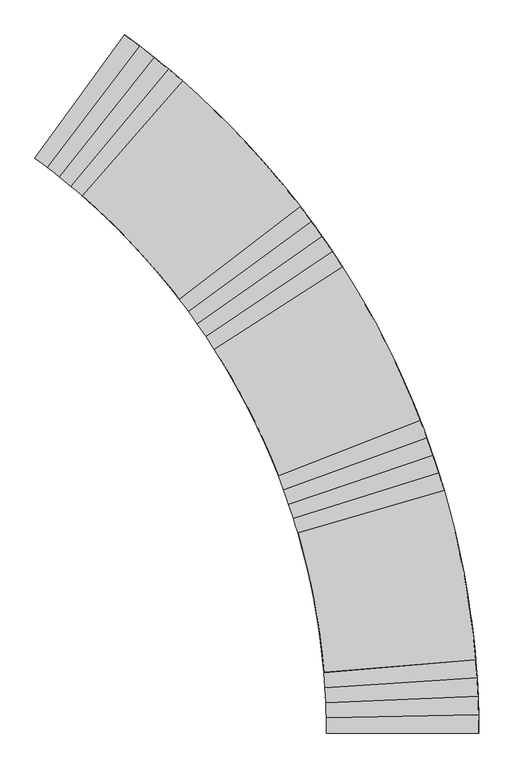
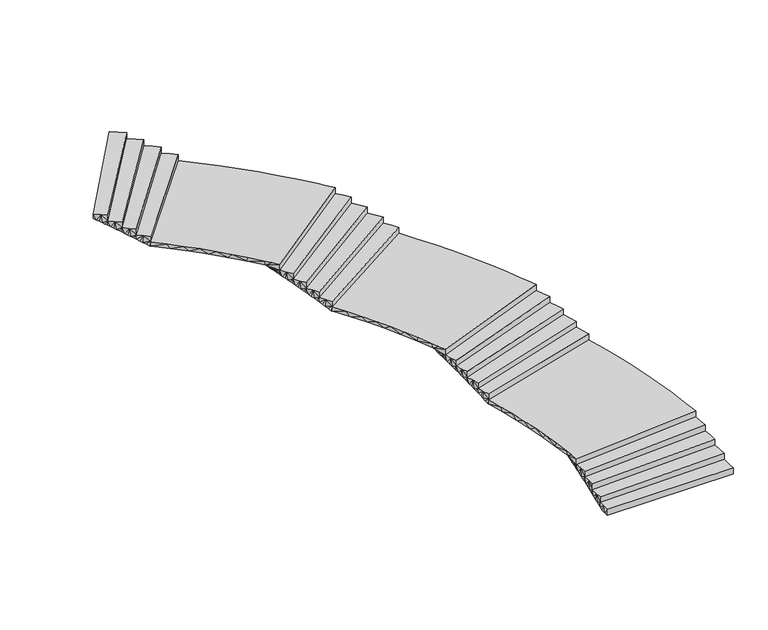
"""IFC4 building model written with IfcOpenShell, lengths in millimetres: stair geometry."""

from ifc_helpers import new_model, si_unit, origin, place, context, project, spatial, faceted_brep, source, transform, mapped, element, save


def stair_410cac66(model_context):
    return source(origin(), model_context, "Body", "Brep", [
        faceted_brep([(152586.2337141, 120016.2759252, 1451.4285714), (152732.5040266, 119699.3198931, 1451.4285714), (152870.8242222, 119378.8143003, 1451.4285714), (152937.3343783, 119216.4015484, 1451.4285714), (153001.8091132, 119053.1511719, 1451.4285714), (155798.916929, 120137.6731251, 1451.4285714), (155720.2451822, 120335.7468894, 1451.4285714), (155639.1529365, 120532.8248581, 1451.4285714), (155470.7091407, 120921.7522366, 1451.4285714), (155292.8172493, 121306.4499012, 1451.4285714), (155105.583378, 121686.6883732, 1451.4285714), (154909.1192148, 122062.2408341, 1451.4285714), (154703.541954, 122432.8832603, 1451.4285714), (154488.9742259, 122798.3945575, 1451.4285714), (154265.5440236, 123158.556692, 1451.4285714), (151738.9817963, 121541.0019599, 1451.4285714), (151923.5437381, 121244.6980518, 1451.4285714), (152100.6564492, 120943.8869808, 1451.4285714), (152270.2119214, 120638.752508, 1451.4285714), (152432.104473, 120329.4848803, 1451.4285714), (153001.8091132, 119053.1511719, 1307.1940608), (153001.8091132, 119053.1511719, 1252.11754), (153001.8091132, 119053.1511719, 1197.0410191), (153623.3886278, 119294.1560504, 1197.0410191), (154866.5476571, 119776.1658074, 1197.0410191), (155177.3374144, 119896.6682466, 1197.0410191), (155798.916929, 120137.6731251, 1197.0410191), (155798.916929, 120137.6731251, 1252.1175469), (155798.916929, 120137.6731251, 1307.1940747), (154265.5440236, 123158.556692, 1351.4285714), (151738.9817963, 121541.0019599, 1351.4285714), (155485.1230964, 120889.4670079, 1351.4285714), (155655.0378617, 120494.7566117, 1351.4285714), (155039.2199266, 120239.7978361, 1351.4285714), (154731.310959, 120112.3184483, 1351.4285714), (153499.6750887, 119602.4008971, 1351.4285714), (152883.8571536, 119347.4421216, 1351.4285714), (152720.2972699, 119726.5839241, 1351.4285714), (152545.6241173, 120100.7358074, 1351.4285714), (152359.9897317, 120469.5721083, 1351.4285714), (152163.5556899, 120832.7717906, 1351.4285714), (151956.4929688, 121190.0187241, 1351.4285714), (154492.0184332, 122793.3489893, 1351.4285714), (154709.3803702, 122422.6454518, 1351.4285714), (154917.4965441, 122046.6734016, 1351.4285714), (155116.2393345, 121665.6633917, 1351.4285714), (155305.4868686, 121279.8490644, 1351.4285714), (154335.9898637, 119758.6893268, 1274.2334563), (152955.428579, 119171.187598, 1258.796048), (152978.7525426, 119112.2219185, 1227.9185343), (155751.8377944, 120257.0547911, 1248.5029153), (155775.4877027, 120197.4075099, 1222.7718835), (152931.8377012, 119230.0470001, 1289.6735603), (152907.9803935, 119288.7989164, 1320.5510715), (155703.8772271, 120376.0847941, 1299.9654553), (155679.5672229, 120435.4658945, 1325.6969506), (155727.9675272, 120316.6141563, 1274.2341081)], [[[0, 1, 2, 3, 4, 5, 6, 7, 8, 9, 10, 11, 12, 13, 14, 15, 16, 17, 18, 19]], [[4, 20, 21, 22, 23, 24, 25, 26, 27, 28, 5]], [[15, 14, 29, 30]], [[31, 32, 33, 34, 35, 36, 37, 38, 39, 40, 41, 30, 29, 42, 43, 44, 45, 46]], [[24, 23, 47]], [[47, 23, 48]], [[23, 22, 49]], [[23, 49, 48]], [[24, 50, 25]], [[50, 24, 47]], [[25, 51, 26]], [[51, 25, 50]], [[47, 48, 52]], [[47, 35, 34]], [[35, 52, 53]], [[36, 35, 53]], [[54, 47, 34]], [[54, 33, 55]], [[54, 56, 47]], [[56, 50, 47]], [[34, 33, 54]], [[33, 32, 55]], [[35, 47, 52]], [[27, 26, 51]], [[27, 56, 28]], [[54, 55, 28]], [[50, 27, 51]], [[54, 28, 56]], [[55, 32, 28]], [[5, 32, 6]], [[5, 28, 32]], [[6, 32, 7]], [[7, 31, 8]], [[31, 7, 32]], [[8, 31, 46]], [[27, 50, 56]], [[9, 46, 45]], [[44, 10, 45]], [[12, 43, 42]], [[44, 43, 11]], [[13, 42, 29]], [[10, 9, 45]], [[11, 10, 44]], [[13, 12, 42]], [[14, 13, 29]], [[11, 43, 12]], [[46, 9, 8]], [[30, 16, 15]], [[49, 22, 21]], [[39, 19, 18]], [[40, 18, 17]], [[41, 17, 16]], [[41, 40, 17]], [[16, 30, 41]], [[39, 38, 19]], [[18, 40, 39]], [[37, 0, 38]], [[38, 0, 19]], [[2, 1, 37]], [[0, 37, 1]], [[3, 2, 36]], [[36, 2, 37]], [[4, 3, 36]], [[49, 21, 48]], [[20, 4, 36]], [[53, 20, 36]], [[48, 20, 52]], [[53, 52, 20]], [[48, 21, 20]]]),
        faceted_brep([(150384.7679038, 123324.1542365, 2177.1428571), (150614.186205, 123061.0506937, 2177.1428571), (150836.9722541, 122792.3077156, 2177.1428571), (150946.4289686, 122655.1191196, 2177.1428571), (151054.1676883, 122516.554967, 2177.1428571), (153433.9840354, 124343.1567721, 2177.1428571), (153302.8367415, 124511.1532406, 2177.1428571), (153169.6464307, 124677.5142553, 2177.1428571), (152898.7280263, 125003.4607168, 2177.1428571), (152619.9312179, 125322.694514, 2177.1428571), (152333.4222691, 125635.0252681, 2177.1428571), (152039.3720428, 125940.2667171, 2177.1428571), (151737.9558993, 126238.2368267, 2177.1428571), (151429.3535915, 126528.757899, 2177.1428571), (151113.749158, 126811.6566786, 2177.1428571), (149143.3213564, 124549.48642, 2177.1428571), (149403.6852515, 124316.9571564, 2177.1428571), (149658.166477, 124078.0102603, 2177.1428571), (149906.6097821, 123832.7917266, 2177.1428571), (150148.8603267, 123581.4544272, 2177.1428571), (151054.1676883, 122516.554967, 2032.9083465), (151054.1676883, 122516.554967, 1977.8318257), (151054.1676883, 122516.554967, 1922.7553049), (151583.0157655, 122922.4664792, 1922.7553049), (152640.7119197, 123734.2895037, 1922.7553049), (152905.1359583, 123937.2452598, 1922.7553049), (153433.9840354, 124343.1567721, 1922.7553049), (153433.9840354, 124343.1567721, 1977.831769), (153433.9840354, 124343.1567721, 2032.9083515), (151113.749158, 126811.6566786, 2077.1428571), (149143.3213564, 124549.48642, 2077.1428571), (152921.6310184, 124976.5247987, 2077.1428571), (153195.5858115, 124645.4415144, 2077.1428571), (152676.187485, 124227.7567595, 2077.1428571), (152416.4883217, 124018.914382, 2077.1428571), (151377.6916687, 123183.544872, 2077.1428571), (150858.2933422, 122765.8601171, 2077.1428571), (150594.8120056, 123083.7878653, 2077.1428571), (150322.0674965, 123393.8054463, 2077.1428571), (150040.2971693, 123695.6430691, 2077.1428571), (149749.7462331, 123989.038061, 2077.1428571), (149450.6675382, 124273.7350966, 2077.1428571), (151433.6925322, 126524.7706261, 2077.1428571), (151746.4350756, 126230.0513166, 2077.1428571), (152051.7850587, 125927.6794302, 2077.1428571), (152349.555284, 125617.8403386, 2077.1428571), (152639.5632012, 125300.7239911, 2077.1428571), (152136.4277781, 123568.474857, 1999.9477335), (150976.4960045, 122616.8089434, 1984.5103321), (151015.4453909, 122566.7699234, 1953.6328189), (153355.263556, 124444.5052341, 1974.2171981), (153394.7174461, 124393.9037892, 1948.4861674), (150937.3203286, 122666.6710001, 2015.3878445), (150897.9191672, 122716.35507, 2046.2653562), (153275.7960281, 124545.2686542, 2025.6797382), (153235.783474, 124595.4292577, 2051.4112346), (153315.6229031, 124494.9604181, 1999.9483905)], [[[0, 1, 2, 3, 4, 5, 6, 7, 8, 9, 10, 11, 12, 13, 14, 15, 16, 17, 18, 19]], [[4, 20, 21, 22, 23, 24, 25, 26, 27, 28, 5]], [[15, 14, 29, 30]], [[31, 32, 33, 34, 35, 36, 37, 38, 39, 40, 41, 30, 29, 42, 43, 44, 45, 46]], [[24, 23, 47]], [[47, 23, 48]], [[23, 22, 49]], [[23, 49, 48]], [[24, 50, 25]], [[50, 24, 47]], [[25, 51, 26]], [[51, 25, 50]], [[47, 48, 52]], [[47, 35, 34]], [[35, 52, 53]], [[36, 35, 53]], [[54, 47, 34]], [[54, 33, 55]], [[54, 56, 47]], [[56, 50, 47]], [[34, 33, 54]], [[33, 32, 55]], [[35, 47, 52]], [[27, 26, 51]], [[27, 56, 28]], [[54, 55, 28]], [[50, 27, 51]], [[54, 28, 56]], [[55, 32, 28]], [[5, 32, 6]], [[5, 28, 32]], [[6, 32, 7]], [[7, 31, 8]], [[31, 7, 32]], [[8, 31, 46]], [[27, 50, 56]], [[9, 46, 45]], [[44, 10, 45]], [[12, 43, 42]], [[44, 43, 11]], [[13, 42, 29]], [[10, 9, 45]], [[11, 10, 44]], [[13, 12, 42]], [[14, 13, 29]], [[11, 43, 12]], [[46, 9, 8]], [[30, 16, 15]], [[49, 22, 21]], [[39, 19, 18]], [[40, 18, 17]], [[41, 17, 16]], [[41, 40, 17]], [[16, 30, 41]], [[39, 38, 19]], [[18, 40, 39]], [[37, 0, 38]], [[38, 0, 19]], [[2, 1, 37]], [[0, 37, 1]], [[3, 2, 36]], [[36, 2, 37]], [[4, 3, 36]], [[49, 21, 48]], [[20, 4, 36]], [[53, 20, 36]], [[48, 20, 52]], [[53, 52, 20]], [[48, 21, 20]]]),
        faceted_brep([(153769.8217606, 116223.1727765, 725.7142857), (153821.1653713, 115877.8904025, 725.7142857), (153863.8818222, 115531.4346769, 725.7142857), (153882.0899664, 115356.8789034, 725.7142857), (153898.1093535, 115182.0910097, 725.7142857), (156887.2436606, 115437.1911745, 725.7142857), (156867.378924, 115649.3879585, 725.7142857), (156844.9117611, 115861.3090038, 725.7142857), (156792.5022219, 116281.8929794, 725.7142857), (156729.8381087, 116701.0717591, 725.7142857), (156656.9567928, 117118.5953564, 725.7142857), (156573.9017384, 117534.2147719, 725.7142857), (156480.7224773, 117947.6821417, 725.7142857), (156377.474579, 118358.7508855, 725.7142857), (156264.2196176, 118767.1758534, 725.7142857), (153384.9995627, 117924.5063599, 725.7142857), (153478.8946158, 117588.2879951, 725.7142857), (153564.3742271, 117249.8365179, 725.7142857), (153641.3863574, 116909.3586332, 725.7142857), (153709.8830224, 116567.0666172, 725.7142857), (153898.1093535, 115182.0910097, 581.4797751), (153898.1093535, 115182.0910097, 526.4032543), (153898.1093535, 115182.0910097, 471.3267334), (154562.3614218, 115238.7799352, 471.3267334), (155890.8655582, 115352.1577862, 471.3267334), (156222.9915924, 115380.5022489, 471.3267334), (156887.2436606, 115437.1911745, 471.3267334), (156887.2436606, 115437.1911745, 526.403257), (156887.2436606, 115437.1911745, 581.4797814), (156264.2196176, 118767.1758534, 625.7142857), (153384.9995627, 117924.5063599, 625.7142857), (156797.2664572, 116246.860191, 625.7142857), (156849.4633791, 115820.3131067, 625.7142857), (156186.8219545, 115748.6137567, 625.7142857), (155855.5012422, 115712.7640817, 625.7142857), (154530.2183929, 115569.3653817, 625.7142857), (153867.5769682, 115497.6660317, 625.7142857), (153817.1087874, 115907.4867819, 625.7142857), (153754.5730428, 116315.6403868, 625.7142857), (153680.0241663, 116721.7715843, 625.7142857), (153593.5270463, 117125.5268725, 625.7142857), (153495.1569709, 117526.5548177, 625.7142857), (156378.9787285, 118353.0535523, 625.7142857), (156483.4496876, 117936.2169506, 625.7142857), (156577.5684472, 117516.9215978, 625.7142857), (156661.2773059, 117095.4245507, 625.7142857), (156734.5249445, 116671.9842157, 625.7142857), (155376.7625802, 115484.4268988, 548.5191593), (153886.754336, 115308.4033783, 533.0817613), (153892.574916, 115245.2600553, 502.2042479), (156875.5946127, 115564.9907166, 522.788625), (156881.5372543, 115501.1017477, 497.0575949), (153880.6477332, 115371.5196826, 563.9592736), (153874.2552328, 115434.6076724, 594.8367851), (156863.0009534, 115692.70036, 574.2511651), (156856.3501088, 115756.5192951, 599.9826621), (156869.4158174, 115628.8572106, 548.5198172)], [[[0, 1, 2, 3, 4, 5, 6, 7, 8, 9, 10, 11, 12, 13, 14, 15, 16, 17, 18, 19]], [[4, 20, 21, 22, 23, 24, 25, 26, 27, 28, 5]], [[15, 14, 29, 30]], [[31, 32, 33, 34, 35, 36, 37, 38, 39, 40, 41, 30, 29, 42, 43, 44, 45, 46]], [[24, 23, 47]], [[47, 23, 48]], [[23, 22, 49]], [[23, 49, 48]], [[24, 50, 25]], [[50, 24, 47]], [[25, 51, 26]], [[51, 25, 50]], [[47, 48, 52]], [[47, 35, 34]], [[35, 52, 53]], [[36, 35, 53]], [[54, 47, 34]], [[54, 33, 55]], [[54, 56, 47]], [[56, 50, 47]], [[34, 33, 54]], [[33, 32, 55]], [[35, 47, 52]], [[27, 26, 51]], [[27, 56, 28]], [[54, 55, 28]], [[50, 27, 51]], [[54, 28, 56]], [[55, 32, 28]], [[5, 32, 6]], [[5, 28, 32]], [[6, 32, 7]], [[7, 31, 8]], [[31, 7, 32]], [[8, 31, 46]], [[27, 50, 56]], [[9, 46, 45]], [[44, 10, 45]], [[12, 43, 42]], [[44, 43, 11]], [[13, 42, 29]], [[10, 9, 45]], [[11, 10, 44]], [[13, 12, 42]], [[14, 13, 29]], [[11, 43, 12]], [[46, 9, 8]], [[30, 16, 15]], [[49, 22, 21]], [[39, 19, 18]], [[40, 18, 17]], [[41, 17, 16]], [[41, 40, 17]], [[16, 30, 41]], [[39, 38, 19]], [[18, 40, 39]], [[37, 0, 38]], [[38, 0, 19]], [[2, 1, 37]], [[0, 37, 1]], [[3, 2, 36]], [[36, 2, 37]], [[4, 3, 36]], [[49, 21, 48]], [[20, 4, 36]], [[53, 20, 36]], [[48, 20, 52]], [[53, 52, 20]], [[48, 21, 20]]]),
        faceted_brep([(154167.157717, 123310.4460798, 1596.5714286), (154067.160098, 123461.2795233, 1596.5714286), (151575.6067987, 121790.303115, 1596.5714286), (151657.9577791, 121666.0873381, 1596.5714286), (151738.9817963, 121541.0019599, 1596.5714286), (154265.5440236, 123158.556692, 1596.5714286), (151575.6067987, 121790.303115, 1487.3267334), (151614.3242734, 121732.26027, 1453.352194), (151652.7520026, 121674.025192, 1419.3776546), (151738.9817963, 121541.0019599, 1474.0), (151733.860817, 121548.9947765, 1351.4285714), (151738.9817963, 121541.0019599, 1351.4285714), (151690.8890323, 121615.5993267, 1385.403115), (151728.7344194, 121556.9841191, 1351.4285714), (154265.5440236, 123158.556692, 1351.4285714), (154265.5440236, 123158.556692, 1474.0), (154253.1007802, 123177.9635996, 1351.4285714), (154216.365067, 123234.9224093, 1378.6081997), (154259.3256916, 123168.2622551, 1351.4285714), (154179.4025486, 123291.7343149, 1405.7878331), (154142.2138196, 123348.3984026, 1432.9674665), (154104.7994712, 123404.9137715, 1460.1471), (154067.160098, 123461.2795233, 1487.3267334), (153965.5624987, 123611.0399295, 1741.7142857), (153862.3764324, 123759.7103273, 1741.7142857), (151406.961427, 122036.0696595, 1741.7142857), (151491.9381875, 121913.6352143, 1741.7142857), (151575.6067987, 121790.303115, 1741.7142857), (154067.160098, 123461.2795233, 1741.7142857), (151441.1084884, 121987.2045013, 1603.4410258), (151406.961427, 122036.0696595, 1632.4695906), (151475.0471756, 121938.1943695, 1574.4124527), (151508.7768634, 121889.0401666, 1545.3838796), (151542.2969404, 121839.7427838, 1516.3553065), (154033.4714419, 123511.3197263, 1511.51721), (153965.5624973, 123611.0399316, 1559.898163), (153999.6054328, 123561.240072, 1535.7076865), (153931.3430639, 123660.7186781, 1584.0886396), (153896.9475636, 123710.2756861, 1608.2791161), (153862.3764324, 123759.7103273, 1632.4695906), (153757.6135923, 123907.2738688, 1886.8571429), (153651.2858506, 124053.7138319, 1886.8571429), (151233.1221244, 122278.1901928, 1886.8571429), (151320.686147, 122157.5925761, 1886.8571429), (151406.961427, 122036.0696595, 1886.8571429), (153862.3764324, 123759.7103273, 1886.8571429), (151268.3017427, 122230.0630701, 1748.5838829), (151233.1221244, 122278.1901928, 1777.6124477), (151303.2761205, 122181.7865705, 1719.5553098), (151338.0446134, 122133.3615831, 1690.5267367), (151372.6065912, 122084.7889859, 1661.4981637), (153827.6300997, 123809.0219876, 1656.6600671), (153757.6135909, 123907.2738709, 1705.0410202), (153792.7090059, 123858.2100419, 1680.8505436), (153722.3442963, 123956.2128568, 1729.2314967), (153686.9015665, 124005.0263834, 1753.4219732), (153651.2858506, 124053.7138319, 1777.6124477), (153543.4052565, 124199.0136216, 2032.0), (153433.9840354, 124343.1567721, 2032.0), (151054.1676883, 122516.554967, 2032.0), (151144.2792822, 122397.8488431, 2032.0), (151233.1221244, 122278.1901928, 2032.0), (153651.2858506, 124053.7138319, 2032.0), (151090.3639175, 122469.1876948, 1893.72674), (151054.1676883, 122516.554967, 1922.7553049), (151126.3581327, 122421.6667102, 1864.698167), (151162.149671, 122373.9928882, 1835.6695939), (151197.7378833, 122326.1670934, 1806.6410208), (153615.4975911, 124102.2745976, 1801.8029242), (153543.405255, 124199.0136237, 1850.1838773), (153579.5372416, 124150.7080648, 1825.9934008), (153507.1020861, 124247.190666, 1874.3743538), (153470.6281921, 124295.2385851, 1898.5648304), (153433.9840354, 124343.1567721, 1922.7553049), (152905.1359583, 123937.2452598, 1922.7553049), (152640.7119197, 123734.2895037, 1922.7553049), (152376.2878811, 123531.3337476, 1922.7553049), (152111.8638426, 123328.3779915, 1922.7553049), (151847.439804, 123125.4222354, 1922.7553049), (151583.0157655, 122922.4664792, 1922.7553049), (152289.7047218, 121917.2017814, 1351.4285714), (152493.4625362, 123101.2152149, 1741.3267376), (152806.0456399, 122648.6174332, 1499.4219833), (152570.189873, 122097.3106126, 1351.4285714), (153411.6453266, 122637.6371061, 1351.4285714), (152650.4492906, 122875.3676089, 1620.3743587), (153692.1304778, 122817.7459372, 1351.4285714)], [[[0, 1, 2, 3, 4, 5]], [[6, 3, 2]], [[3, 6, 7]], [[3, 7, 8]], [[3, 9, 4]], [[10, 11, 9]], [[9, 3, 8]], [[12, 13, 9]], [[13, 10, 9]], [[12, 9, 8]], [[5, 4, 9, 11, 14, 15]], [[16, 17, 15]], [[14, 18, 15]], [[18, 16, 15]], [[19, 0, 15]], [[19, 15, 17]], [[20, 21, 0]], [[19, 20, 0]], [[21, 1, 0]], [[1, 21, 22]], [[0, 5, 15]], [[23, 24, 25, 26, 27, 28]], [[29, 26, 25]], [[25, 30, 29]], [[26, 29, 31]], [[31, 32, 26]], [[26, 32, 2]], [[2, 32, 33]], [[2, 33, 6]], [[27, 26, 2]], [[28, 27, 2, 1]], [[22, 34, 1]], [[23, 28, 1, 35]], [[36, 1, 34]], [[35, 1, 36]], [[37, 38, 23]], [[35, 37, 23]], [[38, 24, 23]], [[24, 38, 39]], [[40, 41, 42, 43, 44, 45]], [[46, 43, 42]], [[42, 47, 46]], [[43, 46, 48]], [[48, 49, 43]], [[43, 49, 25]], [[25, 49, 50]], [[25, 50, 30]], [[44, 43, 25]], [[45, 44, 25, 24]], [[39, 51, 24]], [[40, 45, 24, 52]], [[53, 24, 51]], [[52, 24, 53]], [[54, 55, 40]], [[52, 54, 40]], [[55, 41, 40]], [[41, 55, 56]], [[57, 58, 59, 60, 61, 62]], [[63, 60, 59]], [[59, 64, 63]], [[60, 63, 65]], [[65, 66, 60]], [[60, 66, 42]], [[42, 66, 67]], [[42, 67, 47]], [[61, 60, 42]], [[62, 61, 42, 41]], [[56, 68, 41]], [[57, 62, 41, 69]], [[70, 41, 68]], [[69, 41, 70]], [[71, 72, 57]], [[69, 71, 57]], [[72, 58, 57]], [[58, 72, 73]], [[58, 73, 74, 75, 76, 77, 78, 79, 64, 59]], [[13, 12, 80]], [[47, 81, 46]], [[82, 83, 8]], [[83, 80, 8]], [[83, 82, 84]], [[12, 8, 80]], [[31, 82, 32]], [[85, 31, 29]], [[82, 31, 85]], [[82, 34, 22]], [[7, 6, 82]], [[8, 7, 82]], [[29, 30, 85]], [[17, 16, 86]], [[19, 86, 84]], [[38, 37, 85]], [[6, 33, 82]], [[20, 19, 84]], [[17, 86, 19]], [[82, 33, 32]], [[20, 84, 82]], [[82, 22, 21]], [[82, 21, 20]], [[85, 30, 50]], [[36, 34, 82]], [[36, 82, 35]], [[35, 82, 85]], [[35, 85, 37]], [[85, 39, 38]], [[51, 39, 85]], [[47, 67, 81]], [[67, 66, 81]], [[48, 81, 49]], [[81, 85, 49]], [[46, 81, 48]], [[66, 77, 81]], [[79, 65, 63]], [[64, 79, 63]], [[54, 52, 81]], [[77, 66, 78]], [[78, 65, 79]], [[81, 77, 76]], [[66, 65, 78]], [[76, 70, 81]], [[53, 85, 81]], [[52, 53, 81]], [[54, 81, 55]], [[81, 56, 55]], [[68, 56, 81]], [[51, 85, 53]], [[70, 76, 69]], [[68, 81, 70]], [[71, 75, 74]], [[72, 74, 73]], [[69, 75, 71]], [[71, 74, 72]], [[75, 69, 76]], [[50, 49, 85]], [[11, 10, 13, 80, 83, 84, 86, 16, 18, 14]]]),
        faceted_brep([(150976.6565434, 126929.7916289, 2322.2857143), (150838.3141311, 127046.4605125, 2322.2857143), (148916.4925107, 124742.8542832, 2322.2857143), (149030.4215562, 124646.7740261, 2322.2857143), (149143.3213564, 124549.48642, 2322.2857143), (151113.749158, 126811.6566786, 2322.2857143), (148916.4925107, 124742.8542832, 2213.0410191), (148969.9560624, 124698.0250145, 2179.0664797), (149023.1955374, 124652.9298595, 2145.0919403), (149143.3213564, 124549.48642, 2199.7142857), (149136.1612803, 124555.7188238, 2077.1428571), (149143.3213564, 124549.48642, 2077.1428571), (149076.2096135, 124607.5699379, 2111.1174007), (149128.99698, 124561.9463713, 2077.1428571), (151113.749158, 126811.6566786, 2077.1428571), (151113.749158, 126811.6566786, 2199.7142554), (151096.3552723, 126826.7866194, 2077.1428571), (151045.0982037, 126871.1322116, 2104.3224854), (151105.0547798, 126819.2245974, 2077.1428571), (150993.6647305, 126915.2731021, 2131.5021188), (150942.0556799, 126959.2085808, 2158.6817523), (150890.2718724, 127002.9379493, 2185.8613857), (150838.3141311, 127046.4605125, 2213.0410191), (150698.7375983, 127161.6501082, 2467.4285714), (150557.9427623, 127275.3473625, 2467.4285714), (148685.5984424, 124931.3493361, 2467.4285714), (148801.5471308, 124837.7163033, 2467.4285714), (148916.4925107, 124742.8542832, 2467.4285714), (150838.3141311, 127046.4605125, 2467.4285714), (148732.0974658, 124894.0442922, 2329.1553115), (148685.5984424, 124931.3493361, 2358.1838763), (148778.437231, 124856.5415768, 2300.1267384), (148824.6168847, 124818.8418805, 2271.0981653), (148870.6355894, 124780.945887, 2242.0695922), (150791.9249658, 127085.0220584, 2237.2314957), (150698.7375964, 127161.6501099, 2285.6124487), (150745.3992589, 127123.418752, 2261.4219722), (150651.9405656, 127199.7156506, 2309.8029253), (150605.008756, 127237.6148949, 2333.9934018), (150557.9427623, 127275.3473625, 2358.1838763), (150415.9455784, 127387.5393907, 2612.5714286), (150272.7621379, 127498.2134791, 2612.5714286), (148450.7438105, 125114.8861381, 2612.5714286), (148568.659585, 125023.7427712, 2612.5714286), (148685.5984424, 124931.3493361, 2612.5714286), (150557.9427623, 127275.3473625, 2612.5714286), (148498.0264868, 125078.579472, 2474.2981686), (148450.7438105, 125114.8861381, 2503.3267334), (148545.1541494, 125042.0717888, 2445.2695955), (148592.1259301, 125005.3637608, 2416.2410225), (148638.9409774, 124968.4560535, 2387.2124494), (150510.7431694, 127312.9125844, 2382.3743528), (150415.9455764, 127387.5393923, 2430.7553059), (150463.4105754, 127350.3100847, 2406.5648293), (150368.34877, 127424.6000385, 2454.9457824), (150320.6207555, 127461.4915566, 2479.1362589), (150272.7621379, 127498.2134791, 2503.3267334), (150128.4086669, 127607.3570857, 2757.7142857), (149982.9015239, 127714.9578421, 2757.7142857), (148212.0350695, 125293.3814959, 2757.7142857), (148331.8644814, 125204.7691082, 2757.7142857), (148450.7438105, 125114.8861381, 2757.7142857), (150272.7621379, 127498.2134791, 2757.7142857), (148260.0799666, 125258.0896647, 2619.4410258), (148212.0350695, 125293.3814959, 2648.4695906), (148307.9741645, 125222.5935619, 2590.4124527), (148355.7167811, 125186.893841, 2561.3838796), (148403.3069507, 125150.9911494, 2532.3553065), (150224.7735119, 127534.7653497, 2527.51721), (150128.4086649, 127607.3570872, 2575.898163), (150176.6554855, 127571.1467051, 2551.7076865), (150080.0336573, 127643.3960401, 2600.0886396), (150031.5310721, 127679.2631099, 2624.2791161), (149982.9015239, 127714.9578421, 2648.4695906), (149786.1385845, 127445.8938036, 2648.4695906), (149589.3756451, 127176.8297652, 2648.4695906), (149392.6127057, 126907.7657267, 2648.4695906), (149195.8497664, 126638.7016882, 2648.4695906), (148999.086827, 126369.6376497, 2648.4695906), (148802.3238876, 126100.5736113, 2648.4695906), (148605.5609482, 125831.5095728, 2648.4695906), (149566.1877116, 125065.2442042, 2077.1428571), (149784.7830774, 125316.8931206, 2077.1428571), (149856.2709368, 125912.2557586, 2225.1362699), (150440.5691749, 126071.83987, 2077.1428571), (149643.2424146, 126086.1658388, 2346.088646), (150659.1645407, 126323.4887865, 2077.1428571), (149428.7488375, 126258.3220668, 2467.0410243)], [[[0, 1, 2, 3, 4, 5]], [[6, 3, 2]], [[3, 6, 7]], [[3, 7, 8]], [[3, 9, 4]], [[10, 11, 9]], [[9, 3, 8]], [[12, 13, 9]], [[13, 10, 9]], [[12, 9, 8]], [[5, 4, 9, 11, 14, 15]], [[16, 17, 15]], [[14, 18, 15]], [[18, 16, 15]], [[19, 0, 15]], [[19, 15, 17]], [[20, 21, 0]], [[19, 20, 0]], [[21, 1, 0]], [[1, 21, 22]], [[0, 5, 15]], [[23, 24, 25, 26, 27, 28]], [[29, 26, 25]], [[25, 30, 29]], [[26, 29, 31]], [[31, 32, 26]], [[26, 32, 2]], [[2, 32, 33]], [[2, 33, 6]], [[27, 26, 2]], [[28, 27, 2, 1]], [[22, 34, 1]], [[23, 28, 1, 35]], [[36, 1, 34]], [[35, 1, 36]], [[37, 38, 23]], [[35, 37, 23]], [[38, 24, 23]], [[24, 38, 39]], [[40, 41, 42, 43, 44, 45]], [[46, 43, 42]], [[42, 47, 46]], [[43, 46, 48]], [[48, 49, 43]], [[43, 49, 25]], [[25, 49, 50]], [[25, 50, 30]], [[44, 43, 25]], [[45, 44, 25, 24]], [[39, 51, 24]], [[40, 45, 24, 52]], [[53, 24, 51]], [[52, 24, 53]], [[54, 55, 40]], [[52, 54, 40]], [[55, 41, 40]], [[41, 55, 56]], [[57, 58, 59, 60, 61, 62]], [[63, 60, 59]], [[59, 64, 63]], [[60, 63, 65]], [[65, 66, 60]], [[60, 66, 42]], [[42, 66, 67]], [[42, 67, 47]], [[61, 60, 42]], [[62, 61, 42, 41]], [[56, 68, 41]], [[57, 62, 41, 69]], [[70, 41, 68]], [[69, 41, 70]], [[71, 72, 57]], [[69, 71, 57]], [[72, 58, 57]], [[58, 72, 73]], [[58, 73, 74, 75, 76, 77, 78, 79, 80, 64, 59]], [[13, 12, 81]], [[82, 8, 83]], [[82, 81, 8]], [[83, 84, 82]], [[12, 8, 81]], [[31, 83, 32]], [[85, 31, 29]], [[83, 31, 85]], [[7, 83, 8]], [[83, 34, 22]], [[83, 7, 6]], [[29, 30, 85]], [[17, 16, 86]], [[19, 86, 84]], [[85, 30, 50]], [[83, 33, 32]], [[20, 19, 84]], [[17, 86, 19]], [[6, 33, 83]], [[87, 54, 52]], [[83, 20, 84]], [[47, 87, 46]], [[22, 21, 83]], [[20, 83, 21]], [[35, 36, 83]], [[85, 35, 83]], [[36, 34, 83]], [[37, 35, 85]], [[38, 37, 85]], [[85, 39, 38]], [[51, 39, 85]], [[47, 67, 87]], [[67, 66, 87]], [[48, 87, 49]], [[46, 87, 48]], [[49, 87, 85]], [[66, 78, 87]], [[80, 65, 63]], [[64, 80, 63]], [[78, 66, 79]], [[79, 65, 80]], [[87, 78, 77]], [[66, 65, 79]], [[87, 77, 70]], [[53, 85, 87]], [[52, 53, 87]], [[54, 87, 55]], [[87, 56, 55]], [[68, 56, 87]], [[51, 85, 53]], [[69, 70, 76]], [[68, 87, 70]], [[69, 76, 75]], [[71, 75, 74]], [[69, 75, 71]], [[71, 74, 72]], [[74, 73, 72]], [[77, 76, 70]], [[50, 49, 85]], [[11, 10, 13, 81, 82, 84, 86, 16, 18, 14]]]),
        faceted_brep([(156947.8575036, 114172.1374273, 145.1428571), (156944.9727161, 114353.0847385, 145.1428571), (153945.6509286, 114289.2974742, 145.1428571), (153948.026636, 114140.2820414, 145.1428571), (153948.8159154, 113991.2497622, 145.1428571), (156948.8159143, 113991.1696597, 145.1428571), (153947.0243635, 114215.5887077, 0.0), (153945.6509286, 114289.2974742, 35.898162), (153948.3695131, 114103.4234152, 0.0), (153948.8159154, 113991.2497622, 0.0), (156948.8159143, 113991.1696597, 0.0), (156948.2738544, 114127.3805241, 0.0), (156945.865501, 114308.3340906, 17.9490832), (156944.9727161, 114353.0847385, 35.898162), (156946.6404585, 114263.5812364, 0.0), (156940.1618788, 114533.9910881, 290.2857143), (156933.4255368, 114714.8359751, 290.2857143), (153936.1414868, 114587.2102572, 290.2857143), (153941.6890626, 114438.2791738, 290.2857143), (153945.6509286, 114289.2974742, 290.2857143), (156944.9727161, 114353.0847385, 290.2857143), (153938.5507656, 114527.6449917, 152.0124543), (153936.1414868, 114587.2102572, 181.0410191), (153940.7063863, 114468.0699901, 122.9838812), (153942.6083093, 114408.4863498, 93.9553082), (153944.2565001, 114348.895151, 64.9267351), (156943.5830868, 114413.3924197, 60.0886385), (156940.1618787, 114533.9910906, 108.4695916), (156941.9794676, 114473.6947902, 84.2791151), (156938.1303431, 114594.2805618, 132.6600681), (156935.8848863, 114654.5624447, 156.8505447), (156933.4255368, 114714.8359751, 181.0410191), (156924.7644535, 114895.5989057, 435.4285714), (156914.1796104, 115076.2593954, 435.4285714), (153920.2919004, 114884.853074, 435.4285714), (153929.00883, 114736.0738472, 435.4285714), (153936.1414868, 114587.2102572, 435.4285714), (156933.4255368, 114714.8359751, 435.4285714), (153923.9687249, 114825.3525997, 297.1553115), (153920.2919004, 114884.853074, 326.1838763), (153927.3921563, 114765.8369914, 268.1267384), (153930.5621313, 114706.3073453, 239.0981653), (153933.4785924, 114646.7647407, 210.0695922), (156930.7523251, 114775.1004042, 205.2314957), (156924.7644533, 114895.5989083, 253.6124487), (156927.8652852, 114835.3549681, 229.4219722), (156921.4498686, 114955.8314659, 277.8029253), (156917.9215727, 115016.0518828, 301.9934018), (156914.1796104, 115076.2593954, 326.1838763), (156901.672207, 115256.7969714, 580.5714286), (156887.2436606, 115437.1911745, 580.5714286), (153898.1093535, 115182.0910097, 580.5714286), (153909.9916858, 115033.5310777, 580.5714286), (153920.2919004, 114884.853074, 580.5714286), (156914.1796104, 115076.2593954, 580.5714286), (153903.0520573, 115122.6822968, 442.2981686), (153898.1093535, 115182.0910097, 471.3267334), (153907.7417475, 115063.2530589, 413.2695955), (153912.1783376, 115003.8043905, 384.2410225), (153916.3617471, 114944.3373695, 355.2124494), (156910.2240281, 115136.453256, 350.3743528), (156901.6722068, 115256.7969739, 398.7553059), (156906.0548761, 115196.6327014, 374.5648293), (156897.0760753, 115316.945316, 422.9457824), (156892.2665396, 115377.0769702, 447.1362589), (156887.2436606, 115437.1911745, 471.3267334), (156222.9915924, 115380.5022489, 471.3267334), (155890.8655582, 115352.1577862, 471.3267334), (155558.7395241, 115323.8133234, 471.3267334), (155226.61349, 115295.4688607, 471.3267334), (154894.4874559, 115267.1243979, 471.3267334), (154562.3614218, 115238.7799352, 471.3267334), (154613.605718, 114226.2537141, 0.0), (154946.8963952, 114231.5862173, 0.0), (155946.7684268, 114247.5837268, 0.0), (156280.0591041, 114252.91623, 0.0), (156613.3497813, 114258.2487332, 0.0), (155444.8553308, 114513.7836868, 120.5648378), (155425.4977673, 114898.397663, 289.8981664)], [[[0, 1, 2, 3, 4, 5]], [[6, 3, 7]], [[2, 7, 3]], [[8, 4, 3]], [[4, 8, 9]], [[6, 8, 3]], [[5, 4, 9, 10]], [[10, 11, 5]], [[0, 5, 11]], [[11, 12, 0]], [[13, 0, 12]], [[1, 0, 13]], [[12, 11, 14]], [[15, 16, 17, 18, 19, 20]], [[21, 18, 17]], [[17, 22, 21]], [[18, 21, 23]], [[23, 24, 18]], [[18, 24, 2]], [[2, 24, 25]], [[2, 25, 7]], [[19, 18, 2]], [[20, 19, 2, 1]], [[13, 26, 1]], [[15, 20, 1, 27]], [[28, 1, 26]], [[27, 1, 28]], [[29, 30, 15]], [[27, 29, 15]], [[30, 16, 15]], [[16, 30, 31]], [[32, 33, 34, 35, 36, 37]], [[38, 35, 34]], [[34, 39, 38]], [[35, 38, 40]], [[40, 41, 35]], [[35, 41, 17]], [[17, 41, 42]], [[17, 42, 22]], [[36, 35, 17]], [[37, 36, 17, 16]], [[31, 43, 16]], [[32, 37, 16, 44]], [[45, 16, 43]], [[44, 16, 45]], [[46, 47, 32]], [[44, 46, 32]], [[47, 33, 32]], [[33, 47, 48]], [[49, 50, 51, 52, 53, 54]], [[55, 52, 51]], [[51, 56, 55]], [[52, 55, 57]], [[57, 58, 52]], [[52, 58, 34]], [[34, 58, 59]], [[34, 59, 39]], [[53, 52, 34]], [[54, 53, 34, 33]], [[48, 60, 33]], [[49, 54, 33, 61]], [[62, 33, 60]], [[61, 33, 62]], [[63, 64, 49]], [[61, 63, 49]], [[64, 50, 49]], [[50, 64, 65]], [[50, 65, 66, 67, 68, 69, 70, 71, 56, 51]], [[9, 8, 6, 72, 73, 74, 75, 76, 14, 11, 10]], [[7, 72, 6]], [[25, 73, 72]], [[74, 73, 77]], [[77, 73, 25]], [[22, 77, 21]], [[77, 22, 42]], [[24, 77, 25]], [[24, 23, 77]], [[7, 25, 72]], [[78, 42, 41]], [[75, 74, 26]], [[76, 75, 13]], [[12, 14, 76]], [[26, 13, 75]], [[12, 76, 13]], [[77, 26, 74]], [[77, 28, 26]], [[27, 77, 29]], [[29, 77, 30]], [[77, 31, 30]], [[31, 77, 43]], [[43, 77, 78]], [[77, 42, 78]], [[39, 59, 78]], [[59, 58, 78]], [[78, 41, 40]], [[38, 78, 40]], [[58, 69, 78]], [[71, 57, 55]], [[56, 71, 55]], [[28, 77, 27]], [[69, 58, 70]], [[21, 77, 23]], [[70, 57, 71]], [[39, 78, 38]], [[70, 58, 57]], [[69, 68, 78]], [[78, 47, 46]], [[78, 48, 47]], [[78, 60, 48]], [[78, 62, 60]], [[62, 68, 61]], [[78, 44, 45]], [[78, 46, 44]], [[67, 66, 63]], [[67, 63, 61]], [[63, 66, 64]], [[66, 65, 64]], [[67, 61, 68]], [[62, 78, 68]], [[43, 78, 45]]]),
        faceted_brep([(156212.4631566, 118940.5872723, 870.8571429), (156158.8636356, 119113.4379096, 870.8571429), (153298.2358128, 118209.6633474, 870.8571429), (153342.3765948, 118067.3157637, 870.8571429), (153384.9995627, 117924.5063599, 870.8571429), (156264.2196176, 118767.1758534, 870.8571429), (153298.2358128, 118209.6633474, 761.6124477), (153319.0890999, 118143.0814045, 727.6379083), (153339.6103076, 118076.3963633, 693.6633689), (153384.9995627, 117924.5063599, 748.2857143), (153382.330098, 117933.6158882, 625.7142857), (153384.9995627, 117924.5063599, 625.7142857), (153359.7989265, 118009.6098794, 659.6888293), (153379.6544573, 117942.7236044, 625.7142857), (156264.2196176, 118767.1758534, 625.7142857), (156264.2196176, 118767.1758534, 748.2856874), (156257.7291325, 118789.2967931, 625.7142857), (156238.473284, 118854.2816446, 652.8939139), (156260.9781248, 118778.2374235, 625.7142857), (156218.9584956, 118919.1892206, 680.0735474), (156199.1850812, 118984.0184769, 707.2531808), (156179.1533551, 119048.768383, 734.4328143), (156158.8636356, 119113.4379096, 761.6124477), (156103.4271287, 119285.7081774, 1016.0), (156046.1599182, 119457.3785536, 1016.0), (153205.4209867, 118492.9085836, 1016.0), (153252.5822189, 118351.5329797, 1016.0), (153298.2358128, 118209.6633474, 1016.0), (156158.8636356, 119113.4379096, 1016.0), (153224.4660536, 118436.4186649, 877.72674), (153205.4209867, 118492.9085836, 906.7553049), (153243.2704118, 118379.8481459, 848.698167), (153261.8337147, 118323.1980683, 819.6695939), (153280.1556257, 118266.4694592, 790.6410208), (156140.5886033, 119170.9267839, 785.8029242), (156103.4271279, 119285.7081798, 834.1838773), (156122.1096899, 119228.3504483, 809.9934008), (156084.5411528, 119342.9992561, 858.3743538), (156065.4520022, 119400.2229558, 882.5648304), (156046.1599182, 119457.3785536, 906.7553049), (155987.0684936, 119628.429584, 1161.1428571), (155926.1595515, 119798.8418846, 1161.1428571), (153106.5971553, 118774.1136798, 1161.1428571), (153156.7574606, 118633.774138, 1161.1428571), (153205.4209867, 118492.9085836, 1161.1428571), (156046.1599182, 119457.3785536, 1161.1428571), (153126.8405263, 118718.0420166, 1022.8695972), (153106.5971553, 118774.1136798, 1051.898162), (153146.844959, 118661.8846468, 993.8410241), (153166.6100848, 118605.6426046, 964.812451), (153186.1355454, 118549.3169098, 935.7838779), (156026.6651404, 119514.4653394, 930.9457814), (155987.0684928, 119628.4295864, 979.3267344), (156006.9679159, 119571.4825896, 955.1362579), (155966.9671216, 119685.3056125, 1003.517211), (155946.6640553, 119742.109952, 1027.7076875), (155926.1595515, 119798.8418846, 1051.898162), (155863.4399941, 119968.596144, 1306.2857143), (155798.916929, 120137.6731251, 1306.2857143), (153001.8091132, 119053.1511719, 1306.2857143), (153054.9457551, 118913.9113051, 1306.2857143), (153106.5971553, 118774.1136798, 1306.2857143), (155926.1595515, 119798.8418846, 1306.2857143), (153023.2416125, 118997.5231802, 1168.0124543), (153001.8091132, 119053.1511719, 1197.0410191), (153044.4370522, 118941.8044146, 1138.9838812), (153065.3950418, 118885.9959011, 1109.9553082), (153086.1152014, 118830.0986516, 1080.9267351), (155905.4538648, 119855.5007058, 1076.0886385), (155863.4399932, 119968.5961464, 1124.4695916), (155884.5472576, 119912.0856972, 1100.2791151), (155842.1323374, 120025.0313418, 1148.6600681), (155820.6245584, 120081.3905728, 1172.8505447), (155798.916929, 120137.6731251, 1197.0410191), (155177.3374144, 119896.6682466, 1197.0410191), (154866.5476571, 119776.1658074, 1197.0410191), (154555.7578998, 119655.6633681, 1197.0410191), (154244.9681425, 119535.1609289, 1197.0410191), (153934.1783851, 119414.6584896, 1197.0410191), (153623.3886278, 119294.1560504, 1197.0410191), (154019.2266074, 118130.8509796, 625.7142857), (154547.387282, 119209.9484538, 1015.6124519), (154720.2417389, 118687.7662198, 773.7076976), (154339.0126824, 118224.9146673, 625.7142857), (155298.3709075, 118507.1057302, 625.7142857), (154634.608492, 118949.0951565, 894.660073), (155618.1569825, 118601.1694178, 625.7142857)], [[[0, 1, 2, 3, 4, 5]], [[6, 3, 2]], [[3, 6, 7]], [[3, 7, 8]], [[3, 9, 4]], [[10, 11, 9]], [[9, 3, 8]], [[12, 13, 9]], [[13, 10, 9]], [[12, 9, 8]], [[4, 9, 11, 14, 15, 5]], [[16, 17, 15]], [[14, 18, 15]], [[18, 16, 15]], [[19, 0, 15]], [[19, 15, 17]], [[20, 21, 0]], [[19, 20, 0]], [[21, 1, 0]], [[1, 21, 22]], [[0, 5, 15]], [[23, 24, 25, 26, 27, 28]], [[29, 26, 25]], [[25, 30, 29]], [[26, 29, 31]], [[31, 32, 26]], [[26, 32, 2]], [[2, 32, 33]], [[2, 33, 6]], [[27, 26, 2]], [[28, 27, 2, 1]], [[22, 34, 1]], [[23, 28, 1, 35]], [[36, 1, 34]], [[35, 1, 36]], [[37, 38, 23]], [[35, 37, 23]], [[38, 24, 23]], [[24, 38, 39]], [[40, 41, 42, 43, 44, 45]], [[46, 43, 42]], [[42, 47, 46]], [[43, 46, 48]], [[48, 49, 43]], [[43, 49, 25]], [[25, 49, 50]], [[25, 50, 30]], [[44, 43, 25]], [[45, 44, 25, 24]], [[39, 51, 24]], [[40, 45, 24, 52]], [[53, 24, 51]], [[52, 24, 53]], [[54, 55, 40]], [[52, 54, 40]], [[55, 41, 40]], [[41, 55, 56]], [[57, 58, 59, 60, 61, 62]], [[63, 60, 59]], [[59, 64, 63]], [[60, 63, 65]], [[65, 66, 60]], [[60, 66, 42]], [[42, 66, 67]], [[42, 67, 47]], [[61, 60, 42]], [[62, 61, 42, 41]], [[56, 68, 41]], [[57, 62, 41, 69]], [[70, 41, 68]], [[69, 41, 70]], [[71, 72, 57]], [[69, 71, 57]], [[72, 58, 57]], [[58, 72, 73]], [[58, 73, 74, 75, 76, 77, 78, 79, 64, 59]], [[13, 12, 80]], [[47, 81, 46]], [[82, 83, 8]], [[83, 80, 8]], [[83, 82, 84]], [[12, 8, 80]], [[31, 82, 32]], [[85, 31, 29]], [[82, 31, 85]], [[82, 34, 22]], [[7, 6, 82]], [[8, 7, 82]], [[29, 30, 85]], [[17, 16, 86]], [[19, 86, 84]], [[38, 37, 85]], [[6, 33, 82]], [[20, 19, 84]], [[17, 86, 19]], [[82, 33, 32]], [[20, 84, 82]], [[82, 22, 21]], [[82, 21, 20]], [[85, 30, 50]], [[36, 34, 82]], [[36, 82, 35]], [[35, 82, 85]], [[35, 85, 37]], [[85, 39, 38]], [[51, 39, 85]], [[47, 67, 81]], [[67, 66, 81]], [[48, 81, 49]], [[81, 85, 49]], [[46, 81, 48]], [[66, 77, 81]], [[79, 65, 63]], [[64, 79, 63]], [[54, 52, 81]], [[77, 66, 78]], [[78, 65, 79]], [[81, 77, 76]], [[66, 65, 78]], [[76, 70, 81]], [[53, 85, 81]], [[52, 53, 81]], [[54, 81, 55]], [[81, 56, 55]], [[68, 56, 81]], [[51, 85, 53]], [[70, 76, 69]], [[68, 81, 70]], [[71, 75, 74]], [[72, 74, 73]], [[69, 75, 71]], [[71, 74, 72]], [[75, 69, 76]], [[50, 49, 85]], [[11, 10, 13, 80, 83, 84, 86, 16, 18, 14]]]),
    ])


if __name__ == "__main__":
    model = new_model("IFC4")
    model_context = context("Model", 3, world=origin())
    ifc_project = project(units=[si_unit("LENGTHUNIT", "METRE", prefix="MILLI")], contexts=[model_context])
    site = spatial("IfcSite", under=ifc_project)
    building = spatial("IfcBuilding", under=site)
    placement = place(None, origin())
    stair_shape = stair_410cac66(model_context)
    element("IfcStair", 1, at=placement, inside=building, context=model_context, shape_type="MappedRepresentation", body=[
        mapped(stair_shape, transform((0.0, 0.0, 0.0), x_axis=(1.0, 0.0, 0.0), y_axis=(0.0, 1.0, 0.0), z_axis=(0.0, 0.0, 1.0))),
    ])
    save(model, "model.ifc")
